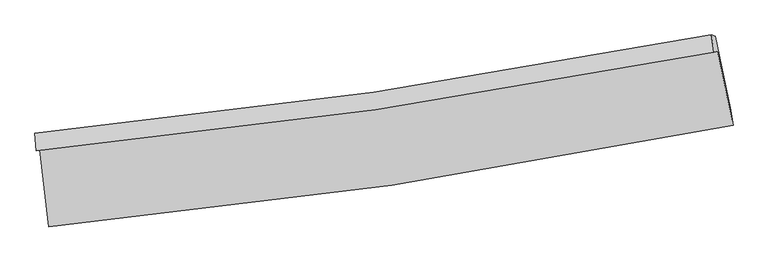
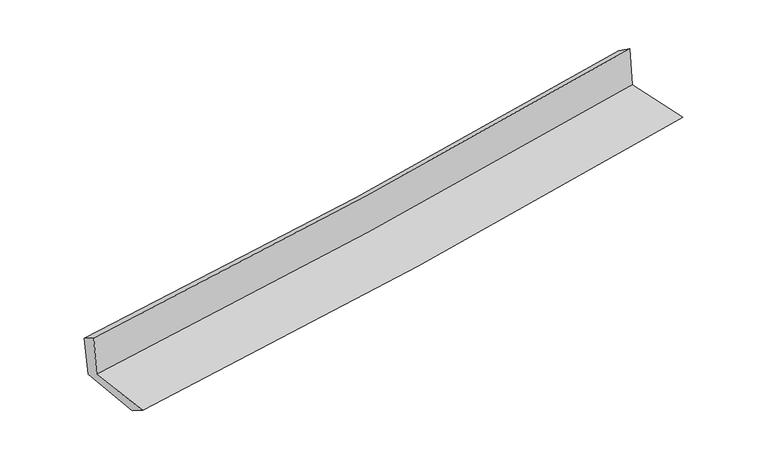
"""IFC4 building model written with IfcOpenShell, lengths in millimetres: proxy geometry."""

import ifcopenshell
import ifcopenshell.guid

model = None  # the IFC model being written
_history = None  # IfcOwnerHistory: only IFC2X3 demands one
_inside = {}  # id of a spatial element -> (the spatial element, [elements in it])
_under = {}  # id of a project, library or spatial element -> (it, [spatial elements below it])
_declared = {}  # id of a project -> (the project, [libraries it declares])
_typed = {}  # id of a type object -> (the type object, [elements of that type])
_made_of = {}  # id of a material, layer set ... -> (it, [elements and type objects made of it])


def new_model(schema):
    """Start an empty IFC model of exactly this schema.

    Asked for "IFC4X3", IfcOpenShell would pick the latest addendum, in which some entities
    have other attributes; the version numbers below select the first issue.
    IFC2X3 requires an IfcOwnerHistory on every rooted entity: one is made here for all.
    """
    global model, _history
    if schema == "IFC4X3":
        model = ifcopenshell.file(schema_version=(4, 3, 0, 0))
    else:
        model = ifcopenshell.file(schema=schema)
    _inside.clear()
    _under.clear()
    _declared.clear()
    _typed.clear()
    _made_of.clear()
    _history = None
    if model.schema == "IFC2X3":
        org = make("IfcOrganization", Name="unknown")
        user = make(
            "IfcPersonAndOrganization",
            ThePerson=make("IfcPerson", FamilyName="unknown"),
            TheOrganization=org,
        )
        app = make(
            "IfcApplication",
            ApplicationDeveloper=org,
            Version="unknown",
            ApplicationFullName="unknown",
            ApplicationIdentifier="unknown",
        )
        _history = make(
            "IfcOwnerHistory",
            OwningUser=user,
            OwningApplication=app,
            ChangeAction="ADDED",
            CreationDate=0,
        )
    return model


def make(cls, **values):
    """One entity of the class cls with the attributes given. An attribute that is None is left unset."""
    return model.create_entity(
        cls, **{name: value for name, value in values.items() if value is not None}
    )


def rooted(cls, **values):
    """An entity with a GlobalId (a new one), such as an element, a storey or a relation."""
    return make(cls, GlobalId=ifcopenshell.guid.new(), OwnerHistory=_history, **values)


def si_unit(unit_type, name, prefix=None):
    """IfcSIUnit, for example si_unit("LENGTHUNIT", "METRE", prefix="MILLI")."""
    return make("IfcSIUnit", UnitType=unit_type, Prefix=prefix, Name=name)


def assignment(units):
    """IfcUnitAssignment: the units of a project."""
    return None if units is None else make("IfcUnitAssignment", Units=units)


def point(xyz):
    """IfcCartesianPoint."""
    return None if xyz is None else make("IfcCartesianPoint", Coordinates=xyz)


def direction(xyz):
    """IfcDirection."""
    return None if xyz is None else make("IfcDirection", DirectionRatios=xyz)


def frame(location, z_axis=None, x_axis=None):
    """IfcAxis2Placement3D, a coordinate frame: its origin and axes. An axis left out is left unset."""
    return make(
        "IfcAxis2Placement3D",
        Location=point(location),
        Axis=direction(z_axis),
        RefDirection=direction(x_axis),
    )


def origin():
    """The frame at (0, 0, 0) with its axes left unset."""
    return frame((0.0, 0.0, 0.0))


def place(relative_to, where):
    """IfcLocalPlacement: puts the frame where relative to a parent placement (None: the world)."""
    return make(
        "IfcLocalPlacement", PlacementRelTo=relative_to, RelativePlacement=where
    )


def context(
    kind, dimensions, precision=None, world=None, true_north=None, identifier=None
):
    """IfcGeometricRepresentationContext, for example the 3D "Model" context."""
    return make(
        "IfcGeometricRepresentationContext",
        ContextIdentifier=identifier,
        ContextType=kind,
        CoordinateSpaceDimension=dimensions,
        Precision=precision,
        WorldCoordinateSystem=world,
        TrueNorth=true_north,
    )


def project(units=None, contexts=None):
    """IfcProject with its units and contexts."""
    return rooted(
        "IfcProject",
        Name="project",
        RepresentationContexts=contexts,
        UnitsInContext=assignment(units),
    )


def spatial(cls, under=None, at=None, **own):
    """A site, building, storey or space (cls), placed at a placement, below another one or the project."""
    s = rooted(cls, ObjectPlacement=at, **own)
    if under is not None:
        _under.setdefault(under.id(), (under, []))[1].append(s)
    return s


def shape(context_of_items, identifier, shape_type, items):
    """IfcShapeRepresentation: the items that make up one representation, for example the "Body"."""
    return make(
        "IfcShapeRepresentation",
        ContextOfItems=context_of_items,
        RepresentationIdentifier=identifier,
        RepresentationType=shape_type,
        Items=items,
    )


def source(mapping_origin, context_of_items, identifier, shape_type, items):
    """IfcRepresentationMap: a shape defined once, which mapped items show again and again."""
    return make(
        "IfcRepresentationMap",
        MappingOrigin=mapping_origin,
        MappedRepresentation=shape(context_of_items, identifier, shape_type, items),
    )


def transform(
    local_origin,
    x_axis=None,
    y_axis=None,
    z_axis=None,
    scale=None,
    scale2=None,
    scale3=None,
    uniform=True,
):
    """IfcCartesianTransformationOperator3D, or its non-uniform kind. x_axis, y_axis, z_axis: its Axis1, 2, 3."""
    if uniform:
        return make(
            "IfcCartesianTransformationOperator3D",
            Axis1=direction(x_axis),
            Axis2=direction(y_axis),
            LocalOrigin=point(local_origin),
            Scale=scale,
            Axis3=direction(z_axis),
        )
    return make(
        "IfcCartesianTransformationOperator3DnonUniform",
        Axis1=direction(x_axis),
        Axis2=direction(y_axis),
        LocalOrigin=point(local_origin),
        Scale=scale,
        Axis3=direction(z_axis),
        Scale2=scale2,
        Scale3=scale3,
    )


def mapped(mapping_source, mapping_target):
    """IfcMappedItem: shows the shape of a source again, moved by a transform."""
    return make(
        "IfcMappedItem", MappingSource=mapping_source, MappingTarget=mapping_target
    )


def made_of(thing, what):
    """Note that an element or type object is made of a material, layer set ...; save() writes the relation."""
    if what is not None:
        _made_of.setdefault(what.id(), (what, []))[1].append(thing)
    return thing


def element(
    cls,
    number,
    at=None,
    inside=None,
    cuts=None,
    type_object=None,
    material=None,
    context=None,
    identifier="Body",
    shape_type=None,
    held_by="IfcProductDefinitionShape",
    body=None,
    shapes=None,
    **own,
):
    """One element of the class cls, such as IfcWall. Its Tag is "e" and its number.

    at: its placement. inside: the storey or other place that contains it. cuts: it is an
    opening in that element (IfcRelVoidsElement). A single representation is given by context,
    identifier, shape_type and body (its items); several are given by shapes. held_by: the class
    of the entity that holds the representations. save() writes the other relations.
    """
    e = rooted(cls, Tag="e%d" % number, ObjectPlacement=at, **own)
    if body is not None:
        shapes = [shape(context, identifier, shape_type, body)]
    if shapes is not None:
        e.Representation = make(held_by, Representations=shapes)
    if inside is not None:
        _inside.setdefault(inside.id(), (inside, []))[1].append(e)
    if cuts is not None:
        rooted(
            "IfcRelVoidsElement", RelatingBuildingElement=cuts, RelatedOpeningElement=e
        )
    if type_object is not None:
        _typed.setdefault(type_object.id(), (type_object, []))[1].append(e)
    return made_of(e, material)


def aggregate(whole, parts):
    """IfcRelAggregates: a whole, such as a stair, and the parts it consists of."""
    return rooted("IfcRelAggregates", RelatingObject=whole, RelatedObjects=parts)


def save(model, path):
    """Write the relations noted so far, then the file.

    IfcRelAggregates (storeys below a building ...), IfcRelContainedInSpatialStructure (elements
    in a storey), IfcRelDefinesByType, IfcRelAssociatesMaterial and IfcRelDeclares: one each for
    every whole, place, type object, material and project.
    """
    for whole, parts in _under.values():
        aggregate(whole, parts)
    for where, things in _inside.values():
        rooted(
            "IfcRelContainedInSpatialStructure",
            RelatedElements=things,
            RelatingStructure=where,
        )
    for kind, things in _typed.values():
        rooted("IfcRelDefinesByType", RelatedObjects=things, RelatingType=kind)
    for what, things in _made_of.values():
        rooted("IfcRelAssociatesMaterial", RelatedObjects=things, RelatingMaterial=what)
    for by, libraries in _declared.values():
        rooted("IfcRelDeclares", RelatingContext=by, RelatedDefinitions=libraries)
    model.write(path)


def plane_surface(at):
    """IfcPlane: the flat surface through the origin of the frame at, square to its z axis."""
    return make("IfcPlane", Position=at)


def spline_curve(degree, points, multiplicities, knots, weights=None):
    """IfcBSplineCurveWithKnots; with weights, IfcRationalBSplineCurveWithKnots."""
    own = dict(
        Degree=degree,
        ControlPointsList=[point(p) for p in points],
        CurveForm="UNSPECIFIED",
        ClosedCurve=False,
        SelfIntersect=False,
        KnotMultiplicities=multiplicities,
        Knots=knots,
        KnotSpec="UNSPECIFIED",
    )
    if weights is None:
        return make("IfcBSplineCurveWithKnots", **own)
    return make("IfcRationalBSplineCurveWithKnots", WeightsData=weights, **own)


def spline_surface(u_degree, v_degree, points, u_multiplicities, v_multiplicities, u_knots, v_knots, weights=None):
    """IfcBSplineSurfaceWithKnots; with weights, IfcRationalBSplineSurfaceWithKnots. points: one row for each step in u."""
    own = dict(
        UDegree=u_degree,
        VDegree=v_degree,
        ControlPointsList=[[point(p) for p in row] for row in points],
        SurfaceForm="UNSPECIFIED",
        UClosed=False,
        VClosed=False,
        SelfIntersect=False,
        UMultiplicities=u_multiplicities,
        VMultiplicities=v_multiplicities,
        UKnots=u_knots,
        VKnots=v_knots,
        KnotSpec="UNSPECIFIED",
    )
    if weights is None:
        return make("IfcBSplineSurfaceWithKnots", **own)
    return make("IfcRationalBSplineSurfaceWithKnots", WeightsData=weights, **own)


def advanced_brep(points, edges, surfaces, faces):
    """IfcAdvancedBrep: a solid bounded by faces that lie on surfaces and meet in shared edges.

    An edge is (start, end): straight between two places in points (the first is 0);
    or (start, end, curve); or (start, end, curve, False) where it runs against its curve.
    A face is (place in surfaces, loops), or (place, loops, False) where it looks against
    its surface's normal. A loop lists edges by number (the first is 1), with a minus sign
    where the edge is run from its end to its start. The first loop is the outer one.
    """
    corners = [point(p) for p in points]
    vertices = [make("IfcVertexPoint", VertexGeometry=c) for c in corners]
    made = []
    for start, end, *more in edges:
        made.append(
            make(
                "IfcEdgeCurve",
                EdgeStart=vertices[start],
                EdgeEnd=vertices[end],
                EdgeGeometry=more[0] if more else make("IfcPolyline", Points=[corners[start], corners[end]]),
                SameSense=more[1] if len(more) > 1 else True,
            )
        )
    hull = []
    for where, loops, *sense in faces:
        bounds = []
        for j, loop in enumerate(loops):
            ring = [make("IfcOrientedEdge", EdgeElement=made[abs(k) - 1], Orientation=k > 0) for k in loop]
            bounds.append(
                make(
                    "IfcFaceOuterBound" if j == 0 else "IfcFaceBound",
                    Bound=make("IfcEdgeLoop", EdgeList=ring),
                    Orientation=True,
                )
            )
        hull.append(make("IfcAdvancedFace", Bounds=bounds, FaceSurface=surfaces[where], SameSense=sense[0] if sense else True))
    return make("IfcAdvancedBrep", Outer=make("IfcClosedShell", CfsFaces=hull))


def generic_models_676e95dd(model_context):
    return source(origin(), model_context, "Body", "AdvancedBrep", [
        advanced_brep(
        [(-3006.5513956, -1910.4597716, 1617.5225258), (-2926.4403099, -2586.013192, 1612.282585), (3091.242111, -1694.9032933, 2123.6418626), (2956.5769007, -1041.2604972, 2123.9610908), (-3039.5846164, -1919.6284711, 2022.2056849), (2923.2410294, -1050.7310931, 2526.4653151), (-3050.163355, -1765.5877193, 1932.1978767), (2900.9176987, -898.6885528, 2423.8692253), (-3015.5744599, -1781.6189566, 1544.3144376), (2934.9634296, -910.2008563, 2062.5682464), (-2937.3015528, -2421.6266652, 1511.1525762), (3066.614601, -1537.2972673, 2034.2571765)],
        [
            (0, 1),
            (1, 2, spline_curve(3, [(-2926.4403099, -2586.013192, 1612.282585), (-1918.554636555, -2491.663113384, 1709.609262579), (-914.186424561, -2370.441909783, 1800.809099574), (1091.737457556, -2073.632482256, 1971.313996604), (2093.263385461, -1897.817053074, 2050.567252532), (3091.242111, -1694.9032933, 2123.6418626)], [4, 2, 4], [0.0, 9.950321793302109, 19.94262191318144])),
            (2, 3),
            (3, 0, spline_curve(3, [(2956.5769007, -1041.2604972, 2123.9610908), (1966.53021288, -1234.419035832, 2051.726354541), (973.527291216, -1403.533541467, 1973.303939439), (-1014.206927448, -1693.065036095, 1804.439204071), (-2008.913437939, -1813.683621777, 1714.048764004), (-3006.5513956, -1910.4597716, 1617.5225258)], [4, 2, 4], [0.0, 9.992300119879332, 19.94262191318144])),
            (4, 0),
            (3, 5),
            (5, 4, spline_curve(3, [(2923.2410294, -1050.7310931, 2526.4653151), (1933.05319203, -1243.98317453, 2457.043146193), (940.005171456, -1413.119089023, 2380.2063974), (-1047.627358139, -1702.549346838, 2212.057686909), (-2042.187886374, -1823.045891639, 2120.807891876), (-3039.5846164, -1919.6284711, 2022.2056849)], [4, 2, 4], [0.0, 9.944348564962059, 19.846920251062443])),
            (6, 4),
            (5, 7),
            (7, 6, spline_curve(3, [(2900.9176987, -898.6885528, 2423.8692253), (1913.381977794, -1091.110138232, 2347.503836755), (922.640064803, -1259.66445964, 2268.25623065), (-1061.080501994, -1548.430733877, 2104.34161508), (-2054.032273566, -1668.842801413, 2019.698771928), (-3050.163355, -1765.5877193, 1932.1978767)], [4, 2, 4], [0.0, 9.93317504569991, 19.824620153245988])),
            (8, 6),
            (7, 9),
            (9, 8, spline_curve(3, [(2934.9634296, -910.2008563, 2062.5682464), (1948.23799828, -1104.613421893, 1976.598348519), (957.945831893, -1274.539302584, 1890.334055293), (-1025.596703232, -1564.806694547, 1717.580317593), (-2018.817166432, -1685.353513742, 1631.0933411), (-3015.5744599, -1781.6189566, 1544.3144376)], [4, 2, 4], [0.0, 9.924398460312002, 19.807103853497185])),
            (10, 8),
            (9, 11),
            (11, 10, spline_curve(3, [(3066.614601, -1537.2972673, 2034.2571765), (2070.792113869, -1732.373779077, 1947.563532758), (1071.494058932, -1903.7114099, 1860.532191897), (-929.840466727, -2198.288837599, 1686.16116072), (-1931.847796437, -2321.727672772, 1598.824300976), (-2937.3015528, -2421.6266652, 1511.1525762)], [4, 2, 4], [0.0, 9.971428754738447, 19.90096686491197])),
            (1, 10),
            (11, 2),
        ],
        [
            spline_surface(3, 3, [[(-3006.5513956, -1910.4597716, 1617.5225258), (-2008.913437979, -1813.683621907, 1714.048764143), (-1014.20692741, -1693.065036074, 1804.439204008), (973.527291177, -1403.533541488, 1973.303939502), (1966.530212731, -1234.419035804, 2051.726354663), (2956.5769007, -1041.2604972, 2123.9610908)], [(-2979.847700384, -2135.644245091, 1615.775878879), (-1978.7938375, -2039.676785706, 1712.568930291), (-980.866759734, -1918.857327275, 1803.229169136), (1012.930679921, -1626.899855107, 1972.640625231), (2008.77460369, -1455.551708202, 2051.339987262), (3001.46530415, -1259.141429234, 2123.854681424)], [(-2953.144005116, -2360.828718509, 1614.029231921), (-1948.67423697, -2265.669949431, 1711.089096402), (-947.526592075, -2144.649618484, 1802.019134312), (1052.334068649, -1850.266168735, 1971.977311009), (2051.0189946, -1676.684380599, 2050.953619787), (3046.35370755, -1477.022361266, 2123.748271976)], [(-2926.4403099, -2586.013192, 1612.282585), (-1918.554636491, -2491.66311323, 1709.609262551), (-914.186424399, -2370.441909685, 1800.80909944), (1091.737457393, -2073.632482355, 1971.313996738), (2093.263385559, -1897.817052997, 2050.567252385), (3091.242111, -1694.9032933, 2123.6418626)]], [4, 4], [4, 2, 4], [0.0, 2.239216994088796], [0.0, 9.950321793302109, 19.94262191318144]),
            spline_surface(3, 3, [[(-3039.5846164, -1919.6284711, 2022.2056849), (-2042.187886355, -1823.04589156, 2120.807891846), (-1047.627358227, -1702.549346775, 2212.057686745), (940.005171544, -1413.119089087, 2380.206397566), (1933.053192004, -1243.98317457, 2457.0431461), (2923.2410294, -1050.7310931, 2526.4653151)], [(-3028.573542796, -1916.572237922, 1887.311298516), (-2031.096403559, -1819.925134997, 1985.221515928), (-1036.487214606, -1699.38790987, 2076.184859182), (951.179211438, -1409.923906549, 2244.572244894), (1944.212198898, -1240.795128344, 2321.93754894), (2934.352986485, -1047.574227829, 2392.297240319)], [(-3017.562469204, -1913.516004778, 1752.416912184), (-2020.004920775, -1816.80437847, 1849.635140061), (-1025.347071031, -1696.226472979, 1940.312031571), (962.353251284, -1406.728724025, 2108.938092174), (1955.371205837, -1237.60708203, 2186.831951823), (2945.464943615, -1044.417362471, 2258.129165581)], [(-3006.5513956, -1910.4597716, 1617.5225258), (-2008.913437979, -1813.683621907, 1714.048764143), (-1014.20692741, -1693.065036074, 1804.439204008), (973.527291177, -1403.533541488, 1973.303939502), (1966.530212731, -1234.419035804, 2051.726354663), (2956.5769007, -1041.2604972, 2123.9610908)]], [4, 4], [4, 2, 4], [0.0, 1.341021421683737], [0.0, 9.902571686100384, 19.846920251062443]),
            spline_surface(3, 3, [[(-3050.163355, -1765.5877193, 1932.1978767), (-2054.032273653, -1668.842801322, 2019.698771944), (-1061.080502006, -1548.430733805, 2104.34161513), (922.640064816, -1259.664459712, 2268.2562306), (1913.381977768, -1091.110138395, 2347.503836904), (2900.9176987, -898.6885528, 2423.8692253)], [(-3046.637108801, -1816.934636577, 1962.200479459), (-2050.084144554, -1720.243831412, 2053.401811937), (-1056.596120755, -1599.803604806, 2140.246972304), (928.428433717, -1310.816002848, 2305.572952891), (1919.939049201, -1142.067817115, 2384.016939958), (2908.358808955, -949.369399561, 2458.067921888)], [(-3043.110862599, -1868.281553823, 1992.203082141), (-2046.136015453, -1771.64486147, 2087.104851852), (-1052.111739479, -1651.176475773, 2176.15232957), (934.216802643, -1361.96754595, 2342.889675275), (1926.49612057, -1193.025495851, 2420.530043046), (2915.799919145, -1000.050246339, 2492.266618512)], [(-3039.5846164, -1919.6284711, 2022.2056849), (-2042.187886355, -1823.04589156, 2120.807891846), (-1047.627358227, -1702.549346775, 2212.057686745), (940.005171544, -1413.119089087, 2380.206397566), (1933.053192004, -1243.98317457, 2457.0431461), (2923.2410294, -1050.7310931, 2526.4653151)]], [4, 4], [4, 2, 4], [0.0, 0.6220878021337249], [0.0, 9.891445107546078, 19.824620153245988]),
            spline_surface(3, 3, [[(-3015.5744599, -1781.6189566, 1544.3144376), (-2018.817166568, -1685.353513848, 1631.093341015), (-1025.596703207, -1564.806694477, 1717.580317477), (957.945831868, -1274.539302655, 1890.33405541), (1948.237998339, -1104.613421898, 1976.598348589), (2934.9634296, -910.2008563, 2062.5682464)], [(-3027.104091605, -1776.275210825, 1673.608917278), (-2030.555535601, -1679.849942998, 1760.628484636), (-1037.424636155, -1559.348040917, 1846.500750027), (946.177242836, -1269.581021672, 2016.308113805), (1936.619324793, -1100.112327375, 2100.23351138), (2923.614852611, -906.363421778, 2183.001906053)], [(-3038.633723295, -1770.931465075, 1802.903397022), (-2042.293904619, -1674.346372172, 1890.163628323), (-1049.252569058, -1553.889387364, 1975.42118258), (934.408653848, -1264.622740695, 2142.282172204), (1925.000651313, -1095.611232918, 2223.868674113), (2912.266275689, -902.525987322, 2303.435565647)], [(-3050.163355, -1765.5877193, 1932.1978767), (-2054.032273653, -1668.842801322, 2019.698771944), (-1061.080502006, -1548.430733805, 2104.34161513), (922.640064816, -1259.664459712, 2268.2562306), (1913.381977768, -1091.110138395, 2347.503836904), (2900.9176987, -898.6885528, 2423.8692253)]], [4, 4], [4, 2, 4], [0.0, 1.2607468520210876], [0.0, 9.882705393185184, 19.807103853497185]),
            spline_surface(3, 3, [[(-2937.3015528, -2421.6266652, 1511.1525762), (-1931.847796326, -2321.727672724, 1598.82430103), (-929.840466619, -2198.288837575, 1686.161160558), (1071.494058824, -1903.711409924, 1860.53219206), (2070.792113727, -1732.3737791, 1947.563532656), (3066.614601, -1537.2972673, 2034.2571765)], [(-2963.392521829, -2208.290762345, 1522.20653), (-1960.837586402, -2109.60295311, 1609.580647692), (-961.759212137, -1987.128123199, 1696.63421288), (1033.64464985, -1693.987374157, 1870.466146526), (2029.940741941, -1523.120326722, 1957.241804624), (3022.730877211, -1328.265130323, 2043.694199791)], [(-2989.483490871, -1994.954859455, 1533.2604838), (-1989.827376492, -1897.478233462, 1620.336994353), (-993.677957689, -1775.967408853, 1707.107265155), (995.795240842, -1484.263338421, 1880.400100944), (1989.089370124, -1313.866874276, 1966.92007662), (2978.847153389, -1119.232993277, 2053.131223109)], [(-3015.5744599, -1781.6189566, 1544.3144376), (-2018.817166568, -1685.353513848, 1631.093341015), (-1025.596703207, -1564.806694477, 1717.580317477), (957.945831868, -1274.539302655, 1890.33405541), (1948.237998339, -1104.613421898, 1976.598348589), (2934.9634296, -910.2008563, 2062.5682464)]], [4, 4], [4, 2, 4], [0.0, 2.1019386972520024], [0.0, 9.929538110173525, 19.90096686491197]),
            spline_surface(3, 3, [[(-2926.4403099, -2586.013192, 1612.282585), (-1918.554636491, -2491.66311323, 1709.609262551), (-914.186424399, -2370.441909685, 1800.80909944), (1091.737457393, -2073.632482355, 1971.313996738), (2093.263385559, -1897.817052997, 2050.567252385), (3091.242111, -1694.9032933, 2123.6418626)], [(-2930.060724185, -2531.21768304, 1578.572582068), (-1922.985689754, -2435.017966368, 1672.680942045), (-919.404438482, -2313.057552324, 1762.593119828), (1084.989657861, -2016.992124886, 1934.386728527), (2085.772961604, -1842.669295007, 2016.232679133), (3083.032940989, -1642.367951276, 2093.846967225)], [(-2933.681138515, -2476.42217416, 1544.862579132), (-1927.416743063, -2378.372819585, 1635.752621536), (-924.622452537, -2255.673194936, 1724.377140169), (1078.241858356, -1960.351767392, 1897.45946027), (2078.282537682, -1787.52153709, 1981.898105908), (3074.823771011, -1589.832609324, 2064.052071875)], [(-2937.3015528, -2421.6266652, 1511.1525762), (-1931.847796326, -2321.727672724, 1598.82430103), (-929.840466619, -2198.288837575, 1686.161160558), (1071.494058824, -1903.711409924, 1860.53219206), (2070.792113727, -1732.3737791, 1947.563532656), (3066.614601, -1537.2972673, 2034.2571765)]], [4, 4], [4, 2, 4], [0.0, 0.6745884853930698], [0.0, 9.98597505789165, 20.014078856027094]),
            plane_surface(frame((2978.9259617, -1188.8469267, 2215.7938195), z_axis=(0.9758474192310993, 0.2010048740682833, 0.08555030672532182), x_axis=(-0.09376817580841813, 0.03170699157202985, 0.9950890391774059))),
            plane_surface(frame((-2995.9359483, -2064.155796, 1706.6126144), z_axis=(-0.9896555900552076, -0.11671205772613566, -0.08342726564984684), x_axis=(-0.11775724943080512, 0.9930125399574183, 0.007702317430992875))),
        ],
        [
            (0, [[1, 2, 3, 4]]),
            (1, [[5, -4, 6, 7]]),
            (2, [[8, -7, 9, 10]]),
            (3, [[11, -10, 12, 13]]),
            (4, [[14, -13, 15, 16]]),
            (5, [[17, -16, 18, -2]]),
            (6, [[-12, -9, -6, -3, -18, -15]]),
            (7, [[-1, -5, -8, -11, -14, -17]]),
        ],
    ),
    ])


if __name__ == "__main__":
    model = new_model("IFC4")
    model_context = context("Model", 3, world=origin())
    ifc_project = project(units=[si_unit("LENGTHUNIT", "METRE", prefix="MILLI")], contexts=[model_context])
    site = spatial("IfcSite", under=ifc_project)
    building = spatial("IfcBuilding", under=site)
    placement = place(None, origin())
    generic_models_shape = generic_models_676e95dd(model_context)
    element("IfcBuildingElementProxy", 1, Name="Generic Models", at=placement, inside=building, context=model_context, shape_type="MappedRepresentation", body=[
        mapped(generic_models_shape, transform((0.0, 0.0, 0.0), x_axis=(1.0, 0.0, 0.0), y_axis=(0.0, 1.0, 0.0), z_axis=(0.0, 0.0, 1.0))),
    ])
    save(model, "model.ifc")
